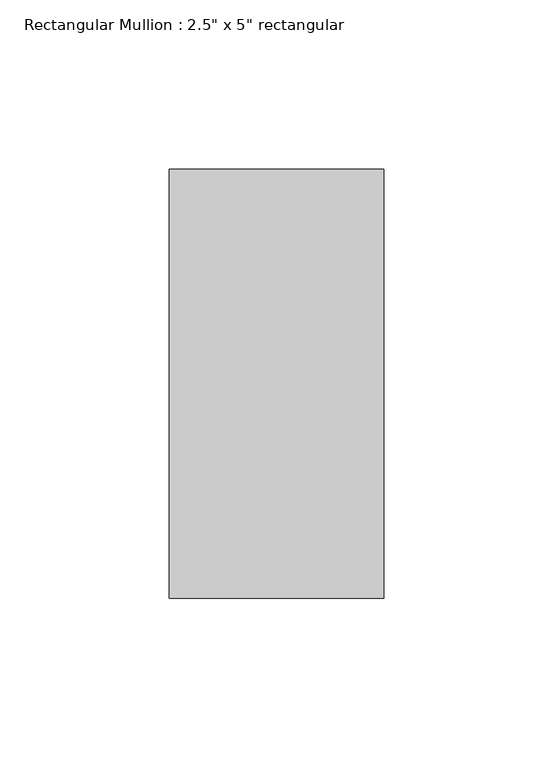
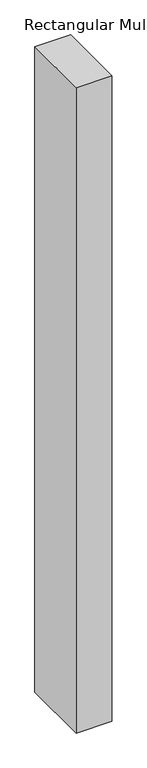
"""IFC4 building model written with IfcOpenShell, lengths in millimetres: member geometry."""

from ifc_helpers import new_model, si_unit, frame, origin, place, context, project, spatial, polyline, outline, extrude, source, transform, mapped, element, save


def member_5c5487dc(model_context):
    return source(origin(), model_context, "Body", "SweptSolid", [
        extrude(outline(polyline([(31.75, 63.5), (31.75, -63.5), (-31.75, -63.5), (-31.75, 63.5), (31.75, 63.5)])), frame((0.0, 0.0, -1216.66), z_axis=(0.0, 0.0, 1.0), x_axis=(1.0, 0.0, 0.0)), (0.0, 0.0, 1.0), 1216.66),
    ])


if __name__ == "__main__":
    model = new_model("IFC4")
    model_context = context("Model", 3, world=origin())
    ifc_project = project(units=[si_unit("LENGTHUNIT", "METRE", prefix="MILLI")], contexts=[model_context])
    site = spatial("IfcSite", under=ifc_project)
    building = spatial("IfcBuilding", under=site)
    placement = place(None, origin())
    member_shape = member_5c5487dc(model_context)
    element("IfcMember", 1, ObjectType="Rectangular Mullion : 2.5\" x 5\" rectangular", at=placement, inside=building, context=model_context, shape_type="MappedRepresentation", body=[
        mapped(member_shape, transform((0.0, 0.0, 0.0), x_axis=(1.0, 0.0, 0.0), y_axis=(0.0, 1.0, 0.0), z_axis=(0.0, 0.0, 1.0))),
    ])
    save(model, "model.ifc")
